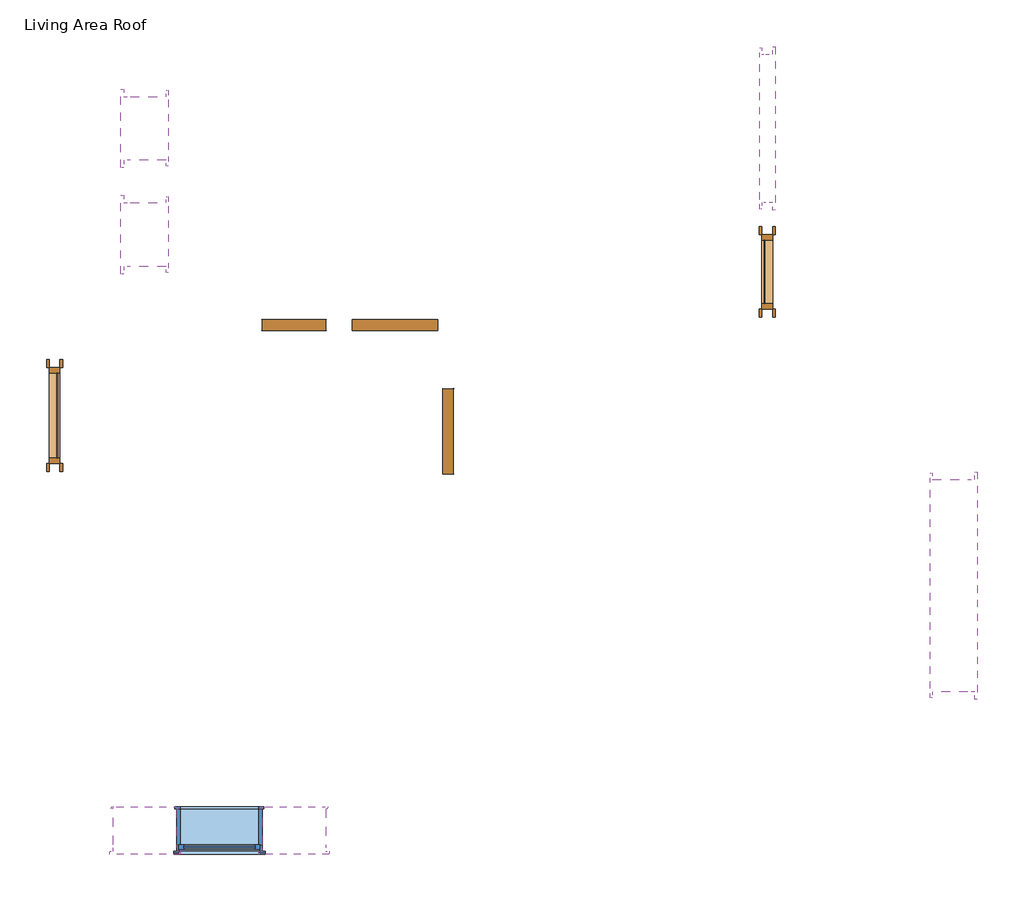
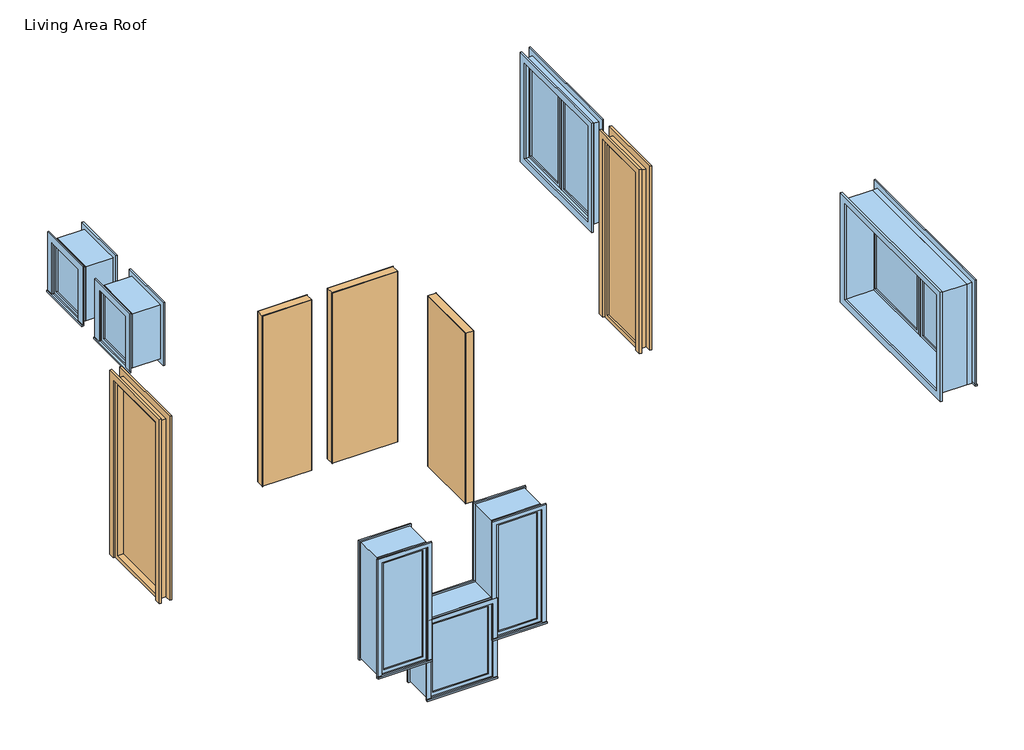
# One storey: 7 windows, 5 doors.
"""IFC4 building model written with IfcOpenShell, lengths in millimetres."""

import ifcopenshell
import ifcopenshell.guid

model = None  # the IFC model being written
_history = None  # IfcOwnerHistory: only IFC2X3 demands one
_inside = {}  # id of a spatial element -> (the spatial element, [elements in it])
_under = {}  # id of a project, library or spatial element -> (it, [spatial elements below it])
_declared = {}  # id of a project -> (the project, [libraries it declares])
_typed = {}  # id of a type object -> (the type object, [elements of that type])
_made_of = {}  # id of a material, layer set ... -> (it, [elements and type objects made of it])


def new_model(schema):
    """Start an empty IFC model of exactly this schema.

    Asked for "IFC4X3", IfcOpenShell would pick the latest addendum, in which some entities
    have other attributes; the version numbers below select the first issue.
    IFC2X3 requires an IfcOwnerHistory on every rooted entity: one is made here for all.
    """
    global model, _history
    if schema == "IFC4X3":
        model = ifcopenshell.file(schema_version=(4, 3, 0, 0))
    else:
        model = ifcopenshell.file(schema=schema)
    _inside.clear()
    _under.clear()
    _declared.clear()
    _typed.clear()
    _made_of.clear()
    _history = None
    if model.schema == "IFC2X3":
        org = make("IfcOrganization", Name="unknown")
        user = make(
            "IfcPersonAndOrganization",
            ThePerson=make("IfcPerson", FamilyName="unknown"),
            TheOrganization=org,
        )
        app = make(
            "IfcApplication",
            ApplicationDeveloper=org,
            Version="unknown",
            ApplicationFullName="unknown",
            ApplicationIdentifier="unknown",
        )
        _history = make(
            "IfcOwnerHistory",
            OwningUser=user,
            OwningApplication=app,
            ChangeAction="ADDED",
            CreationDate=0,
        )
    return model


def make(cls, **values):
    """One entity of the class cls with the attributes given. An attribute that is None is left unset."""
    return model.create_entity(
        cls, **{name: value for name, value in values.items() if value is not None}
    )


def rooted(cls, **values):
    """An entity with a GlobalId (a new one), such as an element, a storey or a relation."""
    return make(cls, GlobalId=ifcopenshell.guid.new(), OwnerHistory=_history, **values)


def si_unit(unit_type, name, prefix=None):
    """IfcSIUnit, for example si_unit("LENGTHUNIT", "METRE", prefix="MILLI")."""
    return make("IfcSIUnit", UnitType=unit_type, Prefix=prefix, Name=name)


def assignment(units):
    """IfcUnitAssignment: the units of a project."""
    return None if units is None else make("IfcUnitAssignment", Units=units)


def point(xyz):
    """IfcCartesianPoint."""
    return None if xyz is None else make("IfcCartesianPoint", Coordinates=xyz)


def direction(xyz):
    """IfcDirection."""
    return None if xyz is None else make("IfcDirection", DirectionRatios=xyz)


def frame(location, z_axis=None, x_axis=None):
    """IfcAxis2Placement3D, a coordinate frame: its origin and axes. An axis left out is left unset."""
    return make(
        "IfcAxis2Placement3D",
        Location=point(location),
        Axis=direction(z_axis),
        RefDirection=direction(x_axis),
    )


def origin():
    """The frame at (0, 0, 0) with its axes left unset."""
    return frame((0.0, 0.0, 0.0))


def origin_with_axes():
    """The frame at (0, 0, 0) with the z axis (0, 0, 1) and the x axis (1, 0, 0) written out."""
    return frame((0.0, 0.0, 0.0), z_axis=(0.0, 0.0, 1.0), x_axis=(1.0, 0.0, 0.0))


def place(relative_to, where):
    """IfcLocalPlacement: puts the frame where relative to a parent placement (None: the world)."""
    return make(
        "IfcLocalPlacement", PlacementRelTo=relative_to, RelativePlacement=where
    )


def context(
    kind, dimensions, precision=None, world=None, true_north=None, identifier=None
):
    """IfcGeometricRepresentationContext, for example the 3D "Model" context."""
    return make(
        "IfcGeometricRepresentationContext",
        ContextIdentifier=identifier,
        ContextType=kind,
        CoordinateSpaceDimension=dimensions,
        Precision=precision,
        WorldCoordinateSystem=world,
        TrueNorth=true_north,
    )


def project(units=None, contexts=None):
    """IfcProject with its units and contexts."""
    return rooted(
        "IfcProject",
        Name="project",
        RepresentationContexts=contexts,
        UnitsInContext=assignment(units),
    )


def spatial(cls, under=None, at=None, **own):
    """A site, building, storey or space (cls), placed at a placement, below another one or the project."""
    s = rooted(cls, ObjectPlacement=at, **own)
    if under is not None:
        _under.setdefault(under.id(), (under, []))[1].append(s)
    return s


def polyline(points):
    """IfcPolyline through the points."""
    return make("IfcPolyline", Points=[point(p) for p in points])


def outline(outer, holes=None, kind="AREA"):
    """IfcArbitraryClosedProfileDef: a profile drawn as a closed curve; with holes, ...WithVoids."""
    if holes is None:
        return make("IfcArbitraryClosedProfileDef", ProfileType=kind, OuterCurve=outer)
    return make(
        "IfcArbitraryProfileDefWithVoids",
        ProfileType=kind,
        OuterCurve=outer,
        InnerCurves=holes,
    )


def extrude(swept, where, along, depth):
    """IfcExtrudedAreaSolid: the profile swept, set in the frame where, extruded along a direction by depth."""
    return make(
        "IfcExtrudedAreaSolid",
        SweptArea=swept,
        Position=where,
        ExtrudedDirection=direction(along),
        Depth=depth,
    )


def shape(context_of_items, identifier, shape_type, items):
    """IfcShapeRepresentation: the items that make up one representation, for example the "Body"."""
    return make(
        "IfcShapeRepresentation",
        ContextOfItems=context_of_items,
        RepresentationIdentifier=identifier,
        RepresentationType=shape_type,
        Items=items,
    )


def source(mapping_origin, context_of_items, identifier, shape_type, items):
    """IfcRepresentationMap: a shape defined once, which mapped items show again and again."""
    return make(
        "IfcRepresentationMap",
        MappingOrigin=mapping_origin,
        MappedRepresentation=shape(context_of_items, identifier, shape_type, items),
    )


def transform(
    local_origin,
    x_axis=None,
    y_axis=None,
    z_axis=None,
    scale=None,
    scale2=None,
    scale3=None,
    uniform=True,
):
    """IfcCartesianTransformationOperator3D, or its non-uniform kind. x_axis, y_axis, z_axis: its Axis1, 2, 3."""
    if uniform:
        return make(
            "IfcCartesianTransformationOperator3D",
            Axis1=direction(x_axis),
            Axis2=direction(y_axis),
            LocalOrigin=point(local_origin),
            Scale=scale,
            Axis3=direction(z_axis),
        )
    return make(
        "IfcCartesianTransformationOperator3DnonUniform",
        Axis1=direction(x_axis),
        Axis2=direction(y_axis),
        LocalOrigin=point(local_origin),
        Scale=scale,
        Axis3=direction(z_axis),
        Scale2=scale2,
        Scale3=scale3,
    )


def mapped(mapping_source, mapping_target):
    """IfcMappedItem: shows the shape of a source again, moved by a transform."""
    return make(
        "IfcMappedItem", MappingSource=mapping_source, MappingTarget=mapping_target
    )


def made_of(thing, what):
    """Note that an element or type object is made of a material, layer set ...; save() writes the relation."""
    if what is not None:
        _made_of.setdefault(what.id(), (what, []))[1].append(thing)
    return thing


def element(
    cls,
    number,
    at=None,
    inside=None,
    cuts=None,
    type_object=None,
    material=None,
    context=None,
    identifier="Body",
    shape_type=None,
    held_by="IfcProductDefinitionShape",
    body=None,
    shapes=None,
    **own,
):
    """One element of the class cls, such as IfcWall. Its Tag is "e" and its number.

    at: its placement. inside: the storey or other place that contains it. cuts: it is an
    opening in that element (IfcRelVoidsElement). A single representation is given by context,
    identifier, shape_type and body (its items); several are given by shapes. held_by: the class
    of the entity that holds the representations. save() writes the other relations.
    """
    e = rooted(cls, Tag="e%d" % number, ObjectPlacement=at, **own)
    if body is not None:
        shapes = [shape(context, identifier, shape_type, body)]
    if shapes is not None:
        e.Representation = make(held_by, Representations=shapes)
    if inside is not None:
        _inside.setdefault(inside.id(), (inside, []))[1].append(e)
    if cuts is not None:
        rooted(
            "IfcRelVoidsElement", RelatingBuildingElement=cuts, RelatedOpeningElement=e
        )
    if type_object is not None:
        _typed.setdefault(type_object.id(), (type_object, []))[1].append(e)
    return made_of(e, material)


def aggregate(whole, parts):
    """IfcRelAggregates: a whole, such as a stair, and the parts it consists of."""
    return rooted("IfcRelAggregates", RelatingObject=whole, RelatedObjects=parts)


def save(model, path):
    """Write the relations noted so far, then the file.

    IfcRelAggregates (storeys below a building ...), IfcRelContainedInSpatialStructure (elements
    in a storey), IfcRelDefinesByType, IfcRelAssociatesMaterial and IfcRelDeclares: one each for
    every whole, place, type object, material and project.
    """
    for whole, parts in _under.values():
        aggregate(whole, parts)
    for where, things in _inside.values():
        rooted(
            "IfcRelContainedInSpatialStructure",
            RelatedElements=things,
            RelatingStructure=where,
        )
    for kind, things in _typed.values():
        rooted("IfcRelDefinesByType", RelatedObjects=things, RelatingType=kind)
    for what, things in _made_of.values():
        rooted("IfcRelAssociatesMaterial", RelatedObjects=things, RelatingMaterial=what)
    for by, libraries in _declared.values():
        rooted("IfcRelDeclares", RelatingContext=by, RelatedDefinitions=libraries)
    model.write(path)


def single_flush_60_220_5b45dd81(model_context):
    return source(origin(), model_context, "Body", "SweptSolid", [
        extrude(outline(polyline([(2201.5875, -301.5875), (0.0, -301.5875), (0.0, -300.0), (2200.0, -300.0), (2200.0, 300.0), (0.0, 300.0), (0.0, 301.5875), (2201.5875, 301.5875), (2201.5875, -301.5875)])), frame((0.0, 50.0, 0.0), z_axis=(0.0, 1.0, 0.0), x_axis=(0.0, 0.0, 1.0)), (0.0, 0.0, 1.0), 1.5875),
        extrude(outline(polyline([(2201.5875, 301.5875), (2201.5875, -301.5875), (0.0, -301.5875), (0.0, -300.0), (2200.0, -300.0), (2200.0, 300.0), (0.0, 300.0), (0.0, 301.5875), (2201.5875, 301.5875)])), frame((0.0, -51.5875, 0.0), z_axis=(0.0, 1.0, 0.0), x_axis=(0.0, 0.0, 1.0)), (0.0, 0.0, 1.0), 1.5875),
        extrude(outline(polyline([(300.0, -50.0), (-300.0, -50.0), (-300.0, 50.0), (300.0, 50.0), (300.0, -50.0)])), origin_with_axes(), (0.0, 0.0, 1.0), 2200.0),
    ])


def single_flush_80_220_ff25c35b(model_context):
    return source(origin(), model_context, "Body", "SweptSolid", [
        extrude(outline(polyline([(2201.5875, -401.5875), (0.0, -401.5875), (0.0, -400.0), (2200.0, -400.0), (2200.0, 400.0), (0.0, 400.0), (0.0, 401.5875), (2201.5875, 401.5875), (2201.5875, -401.5875)])), frame((0.0, -51.5875, 0.0), z_axis=(0.0, 1.0, 0.0), x_axis=(0.0, 0.0, 1.0)), (0.0, 0.0, 1.0), 1.5875),
        extrude(outline(polyline([(2201.5875, 401.5875), (2201.5875, -401.5875), (0.0, -401.5875), (0.0, -400.0), (2200.0, -400.0), (2200.0, 400.0), (0.0, 400.0), (0.0, 401.5875), (2201.5875, 401.5875)])), frame((0.0, 50.0, 0.0), z_axis=(0.0, 1.0, 0.0), x_axis=(0.0, 0.0, 1.0)), (0.0, 0.0, 1.0), 1.5875),
        extrude(outline(polyline([(400.0, 50.0), (400.0, -50.0), (-400.0, -50.0), (-400.0, 50.0), (400.0, 50.0)])), origin_with_axes(), (0.0, 0.0, 1.0), 2200.0),
    ])


def single_glass_1_70_230_6a6a3f15(model_context):
    return source(origin(), model_context, "Body", "SweptSolid", [
        extrude(outline(polyline([(2300.0, 350.0), (0.0, 350.0), (0.0, 426.2), (2376.2, 426.2), (2376.2, -426.2), (0.0, -426.2), (0.0, -350.0), (2300.0, -350.0), (2300.0, 350.0)])), frame((0.0, 50.0, 0.0), z_axis=(0.0, 1.0, 0.0), x_axis=(0.0, 0.0, 1.0)), (0.0, 0.0, 1.0), 25.4),
        extrude(outline(polyline([(2300.0, 350.0), (0.0, 350.0), (0.0, 426.2), (2376.2, 426.2), (2376.2, -426.2), (0.0, -426.2), (0.0, -350.0), (2300.0, -350.0), (2300.0, 350.0)])), frame((0.0, -75.4, 0.0), z_axis=(0.0, 1.0, 0.0), x_axis=(0.0, 0.0, 1.0)), (0.0, 0.0, 1.0), 25.4),
        extrude(outline(polyline([(300.0, -21.425), (300.0, -27.775), (-300.0, -27.775), (-300.0, -21.425), (300.0, -21.425)])), frame((0.0, 0.0, 50.0), z_axis=(0.0, 0.0, 1.0), x_axis=(1.0, 0.0, 0.0)), (0.0, 0.0, 1.0), 2200.0),
        extrude(outline(polyline([(2300.0, 350.0), (2300.0, -350.0), (0.0, -350.0), (0.0, 350.0), (2300.0, 350.0)]), holes=[polyline([(2250.0, -300.0), (2250.0, 300.0), (50.0, 300.0), (50.0, -300.0), (2250.0, -300.0)])]), frame((0.0, -50.0, 0.0), z_axis=(0.0, 1.0, 0.0), x_axis=(0.0, 0.0, 1.0)), (0.0, 0.0, 1.0), 100.0),
    ])


def single_glass_1_90_230_2_7220eb84(model_context):
    return source(origin(), model_context, "Body", "SweptSolid", [
        extrude(outline(polyline([(2300.0, 450.0), (0.0, 450.0), (0.0, 526.2), (2376.2, 526.2), (2376.2, -526.2), (0.0, -526.2), (0.0, -450.0), (2300.0, -450.0), (2300.0, 450.0)])), frame((0.0, 50.0, 0.0), z_axis=(0.0, 1.0, 0.0), x_axis=(0.0, 0.0, 1.0)), (0.0, 0.0, 1.0), 25.4),
        extrude(outline(polyline([(2300.0, 450.0), (0.0, 450.0), (0.0, 526.2), (2376.2, 526.2), (2376.2, -526.2), (0.0, -526.2), (0.0, -450.0), (2300.0, -450.0), (2300.0, 450.0)])), frame((0.0, -75.4, 0.0), z_axis=(0.0, 1.0, 0.0), x_axis=(0.0, 0.0, 1.0)), (0.0, 0.0, 1.0), 25.4),
        extrude(outline(polyline([(400.0, -21.425), (400.0, -27.775), (-400.0, -27.775), (-400.0, -21.425), (400.0, -21.425)])), frame((0.0, 0.0, 50.0), z_axis=(0.0, 0.0, 1.0), x_axis=(1.0, 0.0, 0.0)), (0.0, 0.0, 1.0), 2200.0),
        extrude(outline(polyline([(2300.0, 450.0), (2300.0, -450.0), (0.0, -450.0), (0.0, 450.0), (2300.0, 450.0)]), holes=[polyline([(2250.0, -400.0), (2250.0, 400.0), (50.0, 400.0), (50.0, -400.0), (2250.0, -400.0)])]), frame((0.0, -50.0, 0.0), z_axis=(0.0, 1.0, 0.0), x_axis=(0.0, 0.0, 1.0)), (0.0, 0.0, 1.0), 100.0),
    ])


def casement_dbl_with_trim_0dbfc933(model_context):
    return source(origin(), model_context, "Body", "SweptSolid", [
        extrude(outline(polyline([(63.5, 184.125), (936.5, 184.125), (936.5, 171.425), (63.5, 171.425), (63.5, 184.125)])), frame((0.0, 0.0, 977.9), z_axis=(0.0, 0.0, 1.0), x_axis=(1.0, 0.0, 0.0)), (0.0, 0.0, 1.0), 1173.0),
        extrude(outline(polyline([(2195.35, 19.05), (933.45, 19.05), (933.45, 980.95), (2195.35, 980.95), (2195.35, 19.05)]), holes=[polyline([(2150.9, 63.5), (2150.9, 936.5), (977.9, 936.5), (977.9, 63.5), (2150.9, 63.5)])]), frame((0.0, 155.55, 0.0), z_axis=(0.0, 1.0, 0.0), x_axis=(0.0, 0.0, 1.0)), (0.0, 0.0, 1.0), 44.45),
        extrude(outline(polyline([(19.05, 155.55), (-19.05, 155.55), (-19.05, 219.05), (19.05, 219.05), (19.05, 155.55)])), frame((0.0, 0.0, 933.45), z_axis=(0.0, 0.0, 1.0), x_axis=(1.0, 0.0, 0.0)), (0.0, 0.0, 1.0), 1261.9),
        extrude(outline(polyline([(-1069.85, 244.45), (1069.85, 244.45), (1069.85, 219.05), (-1069.85, 219.05), (-1069.85, 244.45)])), frame((0.0, 0.0, 914.4), z_axis=(0.0, 0.0, 1.0), x_axis=(1.0, 0.0, 0.0)), (0.0, 0.0, 1.0), 19.05),
        extrude(outline(polyline([(2195.35, -980.95), (2195.35, 980.95), (933.45, 980.95), (933.45, 1069.85), (2284.25, 1069.85), (2284.25, -1069.85), (933.45, -1069.85), (933.45, -980.95), (2195.35, -980.95)])), frame((0.0, 219.05, 0.0), z_axis=(0.0, 1.0, 0.0), x_axis=(0.0, 0.0, 1.0)), (0.0, 0.0, 1.0), 12.7),
        extrude(outline(polyline([(2271.55, 1057.15), (2271.55, -1057.15), (857.25, -1057.15), (857.25, 1057.15), (2271.55, 1057.15)]), holes=[polyline([(2182.65, 968.25), (946.15, 968.25), (946.15, -968.25), (2182.65, -968.25), (2182.65, 968.25)])]), frame((0.0, -200.0, 0.0), z_axis=(0.0, 1.0, 0.0), x_axis=(0.0, 0.0, 1.0)), (0.0, 0.0, 1.0), 19.05),
        extrude(outline(polyline([(-63.5, 171.425), (-936.5, 171.425), (-936.5, 184.125), (-63.5, 184.125), (-63.5, 171.425)])), frame((0.0, 0.0, 977.9), z_axis=(0.0, 0.0, 1.0), x_axis=(1.0, 0.0, 0.0)), (0.0, 0.0, 1.0), 1173.0),
        extrude(outline(polyline([(2195.35, -980.95), (933.45, -980.95), (933.45, -19.05), (2195.35, -19.05), (2195.35, -980.95)]), holes=[polyline([(2150.9, -936.5), (2150.9, -63.5), (977.9, -63.5), (977.9, -936.5), (2150.9, -936.5)])]), frame((0.0, 155.55, 0.0), z_axis=(0.0, 1.0, 0.0), x_axis=(0.0, 0.0, 1.0)), (0.0, 0.0, 1.0), 44.45),
        extrude(outline(polyline([(2214.4, -1000.0), (914.4, -1000.0), (914.4, 1000.0), (2214.4, 1000.0), (2214.4, -1000.0)]), holes=[polyline([(2182.65, -968.25), (2182.65, 968.25), (946.15, 968.25), (946.15, -968.25), (2182.65, -968.25)])]), frame((0.0, -180.95, 0.0), z_axis=(0.0, 1.0, 0.0), x_axis=(0.0, 0.0, 1.0)), (0.0, 0.0, 1.0), 336.5),
        extrude(outline(polyline([(2214.4, 1000.0), (2214.4, -1000.0), (914.4, -1000.0), (914.4, 1000.0), (2214.4, 1000.0)]), holes=[polyline([(2195.35, 980.95), (933.45, 980.95), (933.45, -980.95), (2195.35, -980.95), (2195.35, 980.95)])]), frame((0.0, 155.55, 0.0), z_axis=(0.0, 1.0, 0.0), x_axis=(0.0, 0.0, 1.0)), (0.0, 0.0, 1.0), 63.5),
    ])


def casement_dbl_with_trim_8743e6e0(model_context):
    return source(origin(), model_context, "Body", "SweptSolid", [
        extrude(outline(polyline([(63.5, 34.125), (636.5, 34.125), (636.5, 21.425), (63.5, 21.425), (63.5, 34.125)])), frame((0.0, 0.0, 977.9), z_axis=(0.0, 0.0, 1.0), x_axis=(1.0, 0.0, 0.0)), (0.0, 0.0, 1.0), 1173.0),
        extrude(outline(polyline([(2195.35, 19.05), (933.45, 19.05), (933.45, 680.95), (2195.35, 680.95), (2195.35, 19.05)]), holes=[polyline([(2150.9, 63.5), (2150.9, 636.5), (977.9, 636.5), (977.9, 63.5), (2150.9, 63.5)])]), frame((0.0, 5.55, 0.0), z_axis=(0.0, 1.0, 0.0), x_axis=(0.0, 0.0, 1.0)), (0.0, 0.0, 1.0), 44.45),
        extrude(outline(polyline([(19.05, 5.55), (-19.05, 5.55), (-19.05, 69.05), (19.05, 69.05), (19.05, 5.55)])), frame((0.0, 0.0, 933.45), z_axis=(0.0, 0.0, 1.0), x_axis=(1.0, 0.0, 0.0)), (0.0, 0.0, 1.0), 1261.9),
        extrude(outline(polyline([(-769.85, 94.45), (769.85, 94.45), (769.85, 69.05), (-769.85, 69.05), (-769.85, 94.45)])), frame((0.0, 0.0, 914.4), z_axis=(0.0, 0.0, 1.0), x_axis=(1.0, 0.0, 0.0)), (0.0, 0.0, 1.0), 19.05),
        extrude(outline(polyline([(2195.35, -680.95), (2195.35, 680.95), (933.45, 680.95), (933.45, 769.85), (2284.25, 769.85), (2284.25, -769.85), (933.45, -769.85), (933.45, -680.95), (2195.35, -680.95)])), frame((0.0, 69.05, 0.0), z_axis=(0.0, 1.0, 0.0), x_axis=(0.0, 0.0, 1.0)), (0.0, 0.0, 1.0), 12.7),
        extrude(outline(polyline([(2271.55, 757.15), (2271.55, -757.15), (857.25, -757.15), (857.25, 757.15), (2271.55, 757.15)]), holes=[polyline([(2182.65, 668.25), (946.15, 668.25), (946.15, -668.25), (2182.65, -668.25), (2182.65, 668.25)])]), frame((0.0, -50.0, 0.0), z_axis=(0.0, 1.0, 0.0), x_axis=(0.0, 0.0, 1.0)), (0.0, 0.0, 1.0), 19.05),
        extrude(outline(polyline([(-63.5, 21.425), (-636.5, 21.425), (-636.5, 34.125), (-63.5, 34.125), (-63.5, 21.425)])), frame((0.0, 0.0, 977.9), z_axis=(0.0, 0.0, 1.0), x_axis=(1.0, 0.0, 0.0)), (0.0, 0.0, 1.0), 1173.0),
        extrude(outline(polyline([(2195.35, -680.95), (933.45, -680.95), (933.45, -19.05), (2195.35, -19.05), (2195.35, -680.95)]), holes=[polyline([(2150.9, -636.5), (2150.9, -63.5), (977.9, -63.5), (977.9, -636.5), (2150.9, -636.5)])]), frame((0.0, 5.55, 0.0), z_axis=(0.0, 1.0, 0.0), x_axis=(0.0, 0.0, 1.0)), (0.0, 0.0, 1.0), 44.45),
        extrude(outline(polyline([(2214.4, -700.0), (914.4, -700.0), (914.4, 700.0), (2214.4, 700.0), (2214.4, -700.0)]), holes=[polyline([(2182.65, -668.25), (2182.65, 668.25), (946.15, 668.25), (946.15, -668.25), (2182.65, -668.25)])]), frame((0.0, -30.95, 0.0), z_axis=(0.0, 1.0, 0.0), x_axis=(0.0, 0.0, 1.0)), (0.0, 0.0, 1.0), 36.5),
        extrude(outline(polyline([(2214.4, 700.0), (2214.4, -700.0), (914.4, -700.0), (914.4, 700.0), (2214.4, 700.0)]), holes=[polyline([(2195.35, 680.95), (933.45, 680.95), (933.45, -680.95), (2195.35, -680.95), (2195.35, 680.95)])]), frame((0.0, 5.55, 0.0), z_axis=(0.0, 1.0, 0.0), x_axis=(0.0, 0.0, 1.0)), (0.0, 0.0, 1.0), 63.5),
    ])


def casement_with_trim_100x80_f4950e13(model_context):
    return source(origin(), model_context, "Body", "SweptSolid", [
        extrude(outline(polyline([(-430.95, 225.4), (430.95, 225.4), (430.95, 200.0), (-430.95, 200.0), (-430.95, 225.4)])), frame((0.0, 0.0, 914.4), z_axis=(0.0, 0.0, 1.0), x_axis=(1.0, 0.0, 0.0)), (0.0, 0.0, 1.0), 19.05),
        extrude(outline(polyline([(1895.35, -380.95), (1895.35, 380.95), (933.45, 380.95), (933.45, 430.95), (1945.35, 430.95), (1945.35, -430.95), (933.45, -430.95), (933.45, -380.95), (1895.35, -380.95)])), frame((0.0, 200.0, 0.0), z_axis=(0.0, 1.0, 0.0), x_axis=(0.0, 0.0, 1.0)), (0.0, 0.0, 1.0), 12.7),
        extrude(outline(polyline([(1932.65, 418.25), (1932.65, -418.25), (896.15, -418.25), (896.15, 418.25), (1932.65, 418.25)]), holes=[polyline([(1882.65, 368.25), (946.15, 368.25), (946.15, -368.25), (1882.65, -368.25), (1882.65, 368.25)])]), frame((0.0, -219.05, 0.0), z_axis=(0.0, 1.0, 0.0), x_axis=(0.0, 0.0, 1.0)), (0.0, 0.0, 1.0), 19.05),
        extrude(outline(polyline([(336.5, 152.375), (-336.5, 152.375), (-336.5, 165.075), (336.5, 165.075), (336.5, 152.375)])), frame((0.0, 0.0, 977.9), z_axis=(0.0, 0.0, 1.0), x_axis=(1.0, 0.0, 0.0)), (0.0, 0.0, 1.0), 873.0),
        extrude(outline(polyline([(1895.35, -380.95), (933.45, -380.95), (933.45, 380.95), (1895.35, 380.95), (1895.35, -380.95)]), holes=[polyline([(1850.9, -336.5), (1850.9, 336.5), (977.9, 336.5), (977.9, -336.5), (1850.9, -336.5)])]), frame((0.0, 136.5, 0.0), z_axis=(0.0, 1.0, 0.0), x_axis=(0.0, 0.0, 1.0)), (0.0, 0.0, 1.0), 44.45),
        extrude(outline(polyline([(1914.4, -400.0), (914.4, -400.0), (914.4, 400.0), (1914.4, 400.0), (1914.4, -400.0)]), holes=[polyline([(1882.65, -368.25), (1882.65, 368.25), (946.15, 368.25), (946.15, -368.25), (1882.65, -368.25)])]), frame((0.0, -200.0, 0.0), z_axis=(0.0, 1.0, 0.0), x_axis=(0.0, 0.0, 1.0)), (0.0, 0.0, 1.0), 336.5),
        extrude(outline(polyline([(1914.4, 400.0), (1914.4, -400.0), (914.4, -400.0), (914.4, 400.0), (1914.4, 400.0)]), holes=[polyline([(1895.35, 380.95), (933.45, 380.95), (933.45, -380.95), (1895.35, -380.95), (1895.35, 380.95)])]), frame((0.0, 136.5, 0.0), z_axis=(0.0, 1.0, 0.0), x_axis=(0.0, 0.0, 1.0)), (0.0, 0.0, 1.0), 63.5),
    ])


def casement_with_trim_150x60_496f3e53(model_context):
    return source(origin(), model_context, "Body", "SweptSolid", [
        extrude(outline(polyline([(-330.95, 225.4), (330.95, 225.4), (330.95, 200.0), (-330.95, 200.0), (-330.95, 225.4)])), frame((0.0, 0.0, 914.4), z_axis=(0.0, 0.0, 1.0), x_axis=(1.0, 0.0, 0.0)), (0.0, 0.0, 1.0), 19.05),
        extrude(outline(polyline([(2395.35, -280.95), (2395.35, 280.95), (933.45, 280.95), (933.45, 330.95), (2445.35, 330.95), (2445.35, -330.95), (933.45, -330.95), (933.45, -280.95), (2395.35, -280.95)])), frame((0.0, 200.0, 0.0), z_axis=(0.0, 1.0, 0.0), x_axis=(0.0, 0.0, 1.0)), (0.0, 0.0, 1.0), 12.7),
        extrude(outline(polyline([(2432.65, 318.25), (2432.65, -318.25), (896.15, -318.25), (896.15, 318.25), (2432.65, 318.25)]), holes=[polyline([(2382.65, 268.25), (946.15, 268.25), (946.15, -268.25), (2382.65, -268.25), (2382.65, 268.25)])]), frame((0.0, -219.05, 0.0), z_axis=(0.0, 1.0, 0.0), x_axis=(0.0, 0.0, 1.0)), (0.0, 0.0, 1.0), 19.05),
        extrude(outline(polyline([(236.5, 152.375), (-236.5, 152.375), (-236.5, 165.075), (236.5, 165.075), (236.5, 152.375)])), frame((0.0, 0.0, 977.9), z_axis=(0.0, 0.0, 1.0), x_axis=(1.0, 0.0, 0.0)), (0.0, 0.0, 1.0), 1373.0),
        extrude(outline(polyline([(2395.35, -280.95), (933.45, -280.95), (933.45, 280.95), (2395.35, 280.95), (2395.35, -280.95)]), holes=[polyline([(2350.9, -236.5), (2350.9, 236.5), (977.9, 236.5), (977.9, -236.5), (2350.9, -236.5)])]), frame((0.0, 136.5, 0.0), z_axis=(0.0, 1.0, 0.0), x_axis=(0.0, 0.0, 1.0)), (0.0, 0.0, 1.0), 44.45),
        extrude(outline(polyline([(2414.4, -300.0), (914.4, -300.0), (914.4, 300.0), (2414.4, 300.0), (2414.4, -300.0)]), holes=[polyline([(2382.65, -268.25), (2382.65, 268.25), (946.15, 268.25), (946.15, -268.25), (2382.65, -268.25)])]), frame((0.0, -200.0, 0.0), z_axis=(0.0, 1.0, 0.0), x_axis=(0.0, 0.0, 1.0)), (0.0, 0.0, 1.0), 336.5),
        extrude(outline(polyline([(2414.4, 300.0), (2414.4, -300.0), (914.4, -300.0), (914.4, 300.0), (2414.4, 300.0)]), holes=[polyline([(2395.35, 280.95), (933.45, 280.95), (933.45, -280.95), (2395.35, -280.95), (2395.35, 280.95)])]), frame((0.0, 136.5, 0.0), z_axis=(0.0, 1.0, 0.0), x_axis=(0.0, 0.0, 1.0)), (0.0, 0.0, 1.0), 63.5),
    ])


def casement_with_trim_60_70_e192c71f(model_context):
    return source(origin(), model_context, "Body", "SweptSolid", [
        extrude(outline(polyline([(-369.85, 225.4), (369.85, 225.4), (369.85, 200.0), (-369.85, 200.0), (-369.85, 225.4)])), frame((0.0, 0.0, 914.4), z_axis=(0.0, 0.0, 1.0), x_axis=(1.0, 0.0, 0.0)), (0.0, 0.0, 1.0), 19.05),
        extrude(outline(polyline([(1595.35, -280.95), (1595.35, 280.95), (933.45, 280.95), (933.45, 369.85), (1684.25, 369.85), (1684.25, -369.85), (933.45, -369.85), (933.45, -280.95), (1595.35, -280.95)])), frame((0.0, 200.0, 0.0), z_axis=(0.0, 1.0, 0.0), x_axis=(0.0, 0.0, 1.0)), (0.0, 0.0, 1.0), 12.7),
        extrude(outline(polyline([(1671.55, 357.15), (1671.55, -357.15), (857.25, -357.15), (857.25, 357.15), (1671.55, 357.15)]), holes=[polyline([(1582.65, 268.25), (946.15, 268.25), (946.15, -268.25), (1582.65, -268.25), (1582.65, 268.25)])]), frame((0.0, -219.05, 0.0), z_axis=(0.0, 1.0, 0.0), x_axis=(0.0, 0.0, 1.0)), (0.0, 0.0, 1.0), 19.05),
        extrude(outline(polyline([(236.5, 152.375), (-236.5, 152.375), (-236.5, 165.075), (236.5, 165.075), (236.5, 152.375)])), frame((0.0, 0.0, 977.9), z_axis=(0.0, 0.0, 1.0), x_axis=(1.0, 0.0, 0.0)), (0.0, 0.0, 1.0), 573.0),
        extrude(outline(polyline([(1595.35, -280.95), (933.45, -280.95), (933.45, 280.95), (1595.35, 280.95), (1595.35, -280.95)]), holes=[polyline([(1550.9, -236.5), (1550.9, 236.5), (977.9, 236.5), (977.9, -236.5), (1550.9, -236.5)])]), frame((0.0, 136.5, 0.0), z_axis=(0.0, 1.0, 0.0), x_axis=(0.0, 0.0, 1.0)), (0.0, 0.0, 1.0), 44.45),
        extrude(outline(polyline([(1614.4, -300.0), (914.4, -300.0), (914.4, 300.0), (1614.4, 300.0), (1614.4, -300.0)]), holes=[polyline([(1582.65, -268.25), (1582.65, 268.25), (946.15, 268.25), (946.15, -268.25), (1582.65, -268.25)])]), frame((0.0, -200.0, 0.0), z_axis=(0.0, 1.0, 0.0), x_axis=(0.0, 0.0, 1.0)), (0.0, 0.0, 1.0), 336.5),
        extrude(outline(polyline([(1614.4, 300.0), (1614.4, -300.0), (914.4, -300.0), (914.4, 300.0), (1614.4, 300.0)]), holes=[polyline([(1595.35, 280.95), (933.45, 280.95), (933.45, -280.95), (1595.35, -280.95), (1595.35, 280.95)])]), frame((0.0, 136.5, 0.0), z_axis=(0.0, 1.0, 0.0), x_axis=(0.0, 0.0, 1.0)), (0.0, 0.0, 1.0), 63.5),
    ])


model = new_model("IFC4")

# Units and contexts
model_context = context("Model", 3, world=origin())
ifc_project = project(units=[si_unit("LENGTHUNIT", "METRE", prefix="MILLI")], contexts=[model_context])

# Site, building, storey
site = spatial("IfcSite", under=ifc_project)
building = spatial("IfcBuilding", under=site)
storey = spatial("IfcBuildingStorey", under=building, Name="Living Area Roof", Elevation=2616.2)

# Doors
placement = place(None, origin())
single_flush_60_220_shape = single_flush_60_220_5b45dd81(model_context)
element("IfcDoor", 1, ObjectType="Single-Flush : 60/220", at=placement, inside=storey, context=model_context, shape_type="MappedRepresentation", body=[
    mapped(single_flush_60_220_shape, transform((2073.797955, 3419.653017, 3040.0), x_axis=(1.0, 0.0, 0.0), y_axis=(0.0, 1.0, 0.0), z_axis=(0.0, 0.0, 1.0))),
])
single_flush_80_220_shape = single_flush_80_220_ff25c35b(model_context)
element("IfcDoor", 2, ObjectType="Single-Flush : 80/220", at=placement, inside=storey, context=model_context, shape_type="MappedRepresentation", body=[
    mapped(single_flush_80_220_shape, transform((3523.4223844, 2419.653017, 3040.0), x_axis=(0.0, 1.0, 0.0), y_axis=(-1.0, 0.0, 0.0), z_axis=(0.0, 0.0, 1.0))),
])
element("IfcDoor", 3, ObjectType="Single-Flush : 80/220", at=placement, inside=storey, context=model_context, shape_type="MappedRepresentation", body=[
    mapped(single_flush_80_220_shape, transform((3023.797955, 3419.653017, 3040.0), x_axis=(-1.0, 0.0, 0.0), y_axis=(0.0, -1.0, 0.0), z_axis=(0.0, 0.0, 1.0))),
])
single_glass_1_70_230_shape = single_glass_1_70_230_6a6a3f15(model_context)
element("IfcDoor", 4, ObjectType="Single-Glass 1 : 70/230", at=placement, inside=storey, context=model_context, shape_type="MappedRepresentation", body=[
    mapped(single_glass_1_70_230_shape, transform((6523.4223844, 3919.653017, 3040.0), x_axis=(0.0, -1.0, 0.0), y_axis=(1.0, 0.0, 0.0), z_axis=(0.0, 0.0, 1.0))),
])
single_glass_1_90_230_2_shape = single_glass_1_90_230_2_7220eb84(model_context)
element("IfcDoor", 5, ObjectType="Single-Glass 1 : 90/230 2", at=placement, inside=storey, context=model_context, shape_type="MappedRepresentation", body=[
    mapped(single_glass_1_90_230_2_shape, transform((-176.202045, 2569.653017, 3040.0), x_axis=(0.0, 1.0, 0.0), y_axis=(-1.0, 0.0, 0.0), z_axis=(0.0, 0.0, 1.0))),
])

# Windows
casement_dbl_with_trim_shape = casement_dbl_with_trim_0dbfc933(model_context)
element("IfcWindow", 6, ObjectType="Casement Dbl with Trim", at=placement, inside=storey, context=model_context, shape_type="MappedRepresentation", body=[
    mapped(casement_dbl_with_trim_shape, transform((8254.747955, 969.653017, 3175.6), x_axis=(0.0, -1.0, 0.0), y_axis=(1.0, 0.0, 0.0), z_axis=(0.0, 0.0, 1.0))),
])
casement_dbl_with_trim_2_shape = casement_dbl_with_trim_8743e6e0(model_context)
element("IfcWindow", 7, ObjectType="Casement Dbl with Trim", at=placement, inside=storey, context=model_context, shape_type="MappedRepresentation", body=[
    mapped(casement_dbl_with_trim_2_shape, transform((6504.3723844, 5269.653017, 3125.6), x_axis=(0.0, -1.0, 0.0), y_axis=(1.0, 0.0, 0.0), z_axis=(0.0, 0.0, 1.0))),
])
casement_with_trim_100x80_shape = casement_with_trim_100x80_f4950e13(model_context)
element("IfcWindow", 8, ObjectType="Casement with Trim : 100x80", at=placement, inside=storey, context=model_context, shape_type="MappedRepresentation", body=[
    mapped(casement_with_trim_100x80_shape, transform((1373.797955, -1330.346983, 2625.6), x_axis=(-1.0, 0.0, 0.0), y_axis=(0.0, -1.0, 0.0), z_axis=(0.0, 0.0, 1.0))),
])
casement_with_trim_150x60_shape = casement_with_trim_150x60_496f3e53(model_context)
element("IfcWindow", 9, ObjectType="Casement with Trim : 150x60", at=placement, inside=storey, context=model_context, shape_type="MappedRepresentation", body=[
    mapped(casement_with_trim_150x60_shape, transform((673.797955, -1330.346983, 3125.6), x_axis=(-1.0, 0.0, 0.0), y_axis=(0.0, -1.0, 0.0), z_axis=(0.0, 0.0, 1.0))),
])
element("IfcWindow", 10, ObjectType="Casement with Trim : 150x60", at=placement, inside=storey, context=model_context, shape_type="MappedRepresentation", body=[
    mapped(casement_with_trim_150x60_shape, transform((2073.797955, -1330.346983, 3125.6), x_axis=(-1.0, 0.0, 0.0), y_axis=(0.0, -1.0, 0.0), z_axis=(0.0, 0.0, 1.0))),
])
casement_with_trim_60_70_shape = casement_with_trim_60_70_e192c71f(model_context)
element("IfcWindow", 11, ObjectType="Casement with Trim : 60/70", at=placement, inside=storey, context=model_context, shape_type="MappedRepresentation", body=[
    mapped(casement_with_trim_60_70_shape, transform((673.4223844, 5269.653017, 3725.6), x_axis=(0.0, 1.0, 0.0), y_axis=(-1.0, 0.0, 0.0), z_axis=(0.0, 0.0, 1.0))),
])
element("IfcWindow", 12, ObjectType="Casement with Trim : 60/70", at=placement, inside=storey, context=model_context, shape_type="MappedRepresentation", body=[
    mapped(casement_with_trim_60_70_shape, transform((673.4223844, 4269.653017, 3725.6), x_axis=(0.0, 1.0, 0.0), y_axis=(-1.0, 0.0, 0.0), z_axis=(0.0, 0.0, 1.0))),
])

save(model, "model.ifc")
